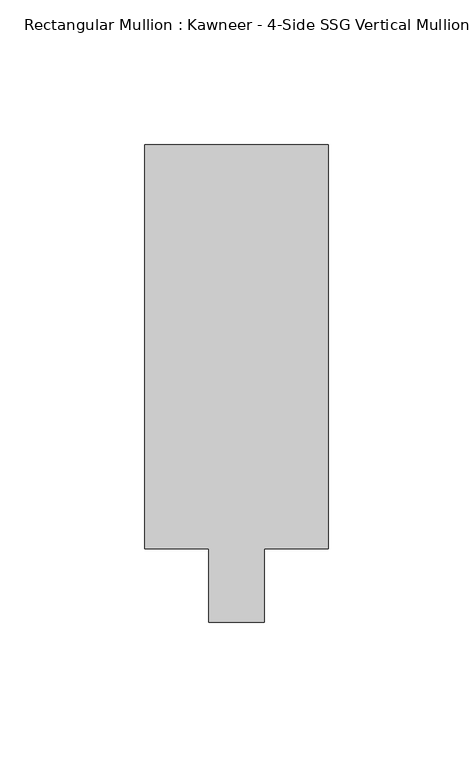
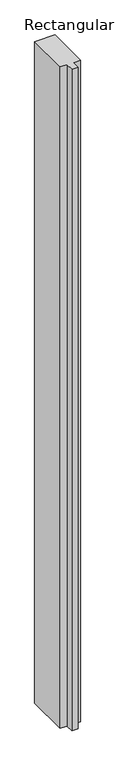
"""IFC4 building model written with IfcOpenShell, lengths in millimetres: member geometry."""

from ifc_helpers import new_model, si_unit, frame, origin, place, context, project, spatial, polyline, outline, extrude, source, transform, mapped, element, save


def member_7d83456a(model_context):
    return source(origin(), model_context, "Body", "SweptSolid", [
        extrude(outline(polyline([(-31.75, 152.399995), (31.75, 152.399995), (31.75, 12.7), (9.5251132, 12.7), (9.5251132, -12.7), (-9.5251132, -12.7), (-9.5251132, 12.7), (-31.75, 12.7), (-31.75, 152.399995)])), frame((0.0, 0.0, -2209.3326946), z_axis=(0.0, 0.0, 1.0), x_axis=(1.0, 0.0, 0.0)), (0.0, 0.0, 1.0), 2209.3326946),
    ])


if __name__ == "__main__":
    model = new_model("IFC4")
    model_context = context("Model", 3, world=origin())
    ifc_project = project(units=[si_unit("LENGTHUNIT", "METRE", prefix="MILLI")], contexts=[model_context])
    site = spatial("IfcSite", under=ifc_project)
    building = spatial("IfcBuilding", under=site)
    placement = place(None, origin())
    member_shape = member_7d83456a(model_context)
    element("IfcMember", 1, ObjectType="Rectangular Mullion : Kawneer - 4-Side SSG Vertical Mullion - 6 1/2\"", at=placement, inside=building, context=model_context, shape_type="MappedRepresentation", body=[
        mapped(member_shape, transform((0.0, 0.0, 0.0), x_axis=(1.0, 0.0, 0.0), y_axis=(0.0, 1.0, 0.0), z_axis=(0.0, 0.0, 1.0))),
    ])
    save(model, "model.ifc")
